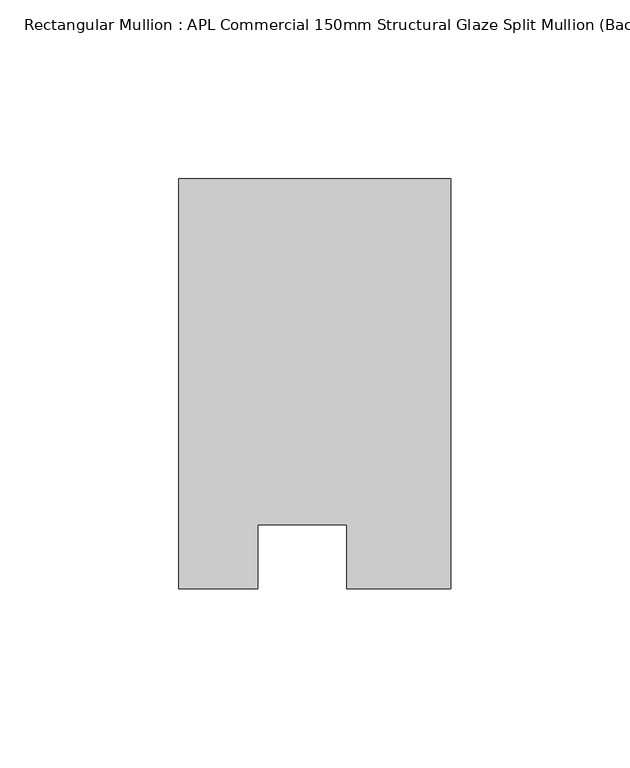
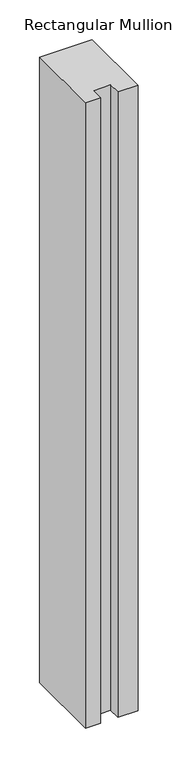
"""IFC4 building model written with IfcOpenShell, lengths in millimetres: member geometry, Rectangular Mullion : APL Commercial 150mm Structural Glaze Split Mullion (Back)."""

import ifcopenshell
import ifcopenshell.guid

model = None  # the IFC model being written
_history = None  # IfcOwnerHistory: only IFC2X3 demands one
_inside = {}  # id of a spatial element -> (the spatial element, [elements in it])
_under = {}  # id of a project, library or spatial element -> (it, [spatial elements below it])
_declared = {}  # id of a project -> (the project, [libraries it declares])
_typed = {}  # id of a type object -> (the type object, [elements of that type])
_made_of = {}  # id of a material, layer set ... -> (it, [elements and type objects made of it])


def new_model(schema):
    """Start an empty IFC model of exactly this schema.

    Asked for "IFC4X3", IfcOpenShell would pick the latest addendum, in which some entities
    have other attributes; the version numbers below select the first issue.
    IFC2X3 requires an IfcOwnerHistory on every rooted entity: one is made here for all.
    """
    global model, _history
    if schema == "IFC4X3":
        model = ifcopenshell.file(schema_version=(4, 3, 0, 0))
    else:
        model = ifcopenshell.file(schema=schema)
    _inside.clear()
    _under.clear()
    _declared.clear()
    _typed.clear()
    _made_of.clear()
    _history = None
    if model.schema == "IFC2X3":
        org = make("IfcOrganization", Name="unknown")
        user = make(
            "IfcPersonAndOrganization",
            ThePerson=make("IfcPerson", FamilyName="unknown"),
            TheOrganization=org,
        )
        app = make(
            "IfcApplication",
            ApplicationDeveloper=org,
            Version="unknown",
            ApplicationFullName="unknown",
            ApplicationIdentifier="unknown",
        )
        _history = make(
            "IfcOwnerHistory",
            OwningUser=user,
            OwningApplication=app,
            ChangeAction="ADDED",
            CreationDate=0,
        )
    return model


def make(cls, **values):
    """One entity of the class cls with the attributes given. An attribute that is None is left unset."""
    return model.create_entity(
        cls, **{name: value for name, value in values.items() if value is not None}
    )


def rooted(cls, **values):
    """An entity with a GlobalId (a new one), such as an element, a storey or a relation."""
    return make(cls, GlobalId=ifcopenshell.guid.new(), OwnerHistory=_history, **values)


def si_unit(unit_type, name, prefix=None):
    """IfcSIUnit, for example si_unit("LENGTHUNIT", "METRE", prefix="MILLI")."""
    return make("IfcSIUnit", UnitType=unit_type, Prefix=prefix, Name=name)


def assignment(units):
    """IfcUnitAssignment: the units of a project."""
    return None if units is None else make("IfcUnitAssignment", Units=units)


def point(xyz):
    """IfcCartesianPoint."""
    return None if xyz is None else make("IfcCartesianPoint", Coordinates=xyz)


def direction(xyz):
    """IfcDirection."""
    return None if xyz is None else make("IfcDirection", DirectionRatios=xyz)


def frame(location, z_axis=None, x_axis=None):
    """IfcAxis2Placement3D, a coordinate frame: its origin and axes. An axis left out is left unset."""
    return make(
        "IfcAxis2Placement3D",
        Location=point(location),
        Axis=direction(z_axis),
        RefDirection=direction(x_axis),
    )


def origin():
    """The frame at (0, 0, 0) with its axes left unset."""
    return frame((0.0, 0.0, 0.0))


def place(relative_to, where):
    """IfcLocalPlacement: puts the frame where relative to a parent placement (None: the world)."""
    return make(
        "IfcLocalPlacement", PlacementRelTo=relative_to, RelativePlacement=where
    )


def context(
    kind, dimensions, precision=None, world=None, true_north=None, identifier=None
):
    """IfcGeometricRepresentationContext, for example the 3D "Model" context."""
    return make(
        "IfcGeometricRepresentationContext",
        ContextIdentifier=identifier,
        ContextType=kind,
        CoordinateSpaceDimension=dimensions,
        Precision=precision,
        WorldCoordinateSystem=world,
        TrueNorth=true_north,
    )


def project(units=None, contexts=None):
    """IfcProject with its units and contexts."""
    return rooted(
        "IfcProject",
        Name="project",
        RepresentationContexts=contexts,
        UnitsInContext=assignment(units),
    )


def spatial(cls, under=None, at=None, **own):
    """A site, building, storey or space (cls), placed at a placement, below another one or the project."""
    s = rooted(cls, ObjectPlacement=at, **own)
    if under is not None:
        _under.setdefault(under.id(), (under, []))[1].append(s)
    return s


def polyline(points):
    """IfcPolyline through the points."""
    return make("IfcPolyline", Points=[point(p) for p in points])


def outline(outer, holes=None, kind="AREA"):
    """IfcArbitraryClosedProfileDef: a profile drawn as a closed curve; with holes, ...WithVoids."""
    if holes is None:
        return make("IfcArbitraryClosedProfileDef", ProfileType=kind, OuterCurve=outer)
    return make(
        "IfcArbitraryProfileDefWithVoids",
        ProfileType=kind,
        OuterCurve=outer,
        InnerCurves=holes,
    )


def extrude(swept, where, along, depth):
    """IfcExtrudedAreaSolid: the profile swept, set in the frame where, extruded along a direction by depth."""
    return make(
        "IfcExtrudedAreaSolid",
        SweptArea=swept,
        Position=where,
        ExtrudedDirection=direction(along),
        Depth=depth,
    )


def shape(context_of_items, identifier, shape_type, items):
    """IfcShapeRepresentation: the items that make up one representation, for example the "Body"."""
    return make(
        "IfcShapeRepresentation",
        ContextOfItems=context_of_items,
        RepresentationIdentifier=identifier,
        RepresentationType=shape_type,
        Items=items,
    )


def source(mapping_origin, context_of_items, identifier, shape_type, items):
    """IfcRepresentationMap: a shape defined once, which mapped items show again and again."""
    return make(
        "IfcRepresentationMap",
        MappingOrigin=mapping_origin,
        MappedRepresentation=shape(context_of_items, identifier, shape_type, items),
    )


def transform(
    local_origin,
    x_axis=None,
    y_axis=None,
    z_axis=None,
    scale=None,
    scale2=None,
    scale3=None,
    uniform=True,
):
    """IfcCartesianTransformationOperator3D, or its non-uniform kind. x_axis, y_axis, z_axis: its Axis1, 2, 3."""
    if uniform:
        return make(
            "IfcCartesianTransformationOperator3D",
            Axis1=direction(x_axis),
            Axis2=direction(y_axis),
            LocalOrigin=point(local_origin),
            Scale=scale,
            Axis3=direction(z_axis),
        )
    return make(
        "IfcCartesianTransformationOperator3DnonUniform",
        Axis1=direction(x_axis),
        Axis2=direction(y_axis),
        LocalOrigin=point(local_origin),
        Scale=scale,
        Axis3=direction(z_axis),
        Scale2=scale2,
        Scale3=scale3,
    )


def mapped(mapping_source, mapping_target):
    """IfcMappedItem: shows the shape of a source again, moved by a transform."""
    return make(
        "IfcMappedItem", MappingSource=mapping_source, MappingTarget=mapping_target
    )


def made_of(thing, what):
    """Note that an element or type object is made of a material, layer set ...; save() writes the relation."""
    if what is not None:
        _made_of.setdefault(what.id(), (what, []))[1].append(thing)
    return thing


def element(
    cls,
    number,
    at=None,
    inside=None,
    cuts=None,
    type_object=None,
    material=None,
    context=None,
    identifier="Body",
    shape_type=None,
    held_by="IfcProductDefinitionShape",
    body=None,
    shapes=None,
    **own,
):
    """One element of the class cls, such as IfcWall. Its Tag is "e" and its number.

    at: its placement. inside: the storey or other place that contains it. cuts: it is an
    opening in that element (IfcRelVoidsElement). A single representation is given by context,
    identifier, shape_type and body (its items); several are given by shapes. held_by: the class
    of the entity that holds the representations. save() writes the other relations.
    """
    e = rooted(cls, Tag="e%d" % number, ObjectPlacement=at, **own)
    if body is not None:
        shapes = [shape(context, identifier, shape_type, body)]
    if shapes is not None:
        e.Representation = make(held_by, Representations=shapes)
    if inside is not None:
        _inside.setdefault(inside.id(), (inside, []))[1].append(e)
    if cuts is not None:
        rooted(
            "IfcRelVoidsElement", RelatingBuildingElement=cuts, RelatedOpeningElement=e
        )
    if type_object is not None:
        _typed.setdefault(type_object.id(), (type_object, []))[1].append(e)
    return made_of(e, material)


def aggregate(whole, parts):
    """IfcRelAggregates: a whole, such as a stair, and the parts it consists of."""
    return rooted("IfcRelAggregates", RelatingObject=whole, RelatedObjects=parts)


def save(model, path):
    """Write the relations noted so far, then the file.

    IfcRelAggregates (storeys below a building ...), IfcRelContainedInSpatialStructure (elements
    in a storey), IfcRelDefinesByType, IfcRelAssociatesMaterial and IfcRelDeclares: one each for
    every whole, place, type object, material and project.
    """
    for whole, parts in _under.values():
        aggregate(whole, parts)
    for where, things in _inside.values():
        rooted(
            "IfcRelContainedInSpatialStructure",
            RelatedElements=things,
            RelatingStructure=where,
        )
    for kind, things in _typed.values():
        rooted("IfcRelDefinesByType", RelatedObjects=things, RelatingType=kind)
    for what, things in _made_of.values():
        rooted("IfcRelAssociatesMaterial", RelatedObjects=things, RelatingMaterial=what)
    for by, libraries in _declared.values():
        rooted("IfcRelDeclares", RelatingContext=by, RelatedDefinitions=libraries)
    model.write(path)


def rectangular_mullion_apl_commercial_150mm_structural_glaze_13d42fb7(model_context):
    return source(origin(), model_context, "Body", "SweptSolid", [
        extrude(outline(polyline([(37.9999914, 129.5195626), (37.9999914, 14.9960123), (9.0, 14.9960123), (9.0, 32.7960123), (-16.0, 32.7960123), (-16.0, 14.9960123), (-37.9999896, 14.9960123), (-37.9999896, 129.5195626), (37.9999914, 129.5195626)])), frame((0.0, 0.0, -956.846945), z_axis=(0.0, 0.0, 1.0), x_axis=(1.0, 0.0, 0.0)), (0.0, 0.0, 1.0), 956.846945),
    ])


if __name__ == "__main__":
    model = new_model("IFC4")
    model_context = context("Model", 3, world=origin())
    ifc_project = project(units=[si_unit("LENGTHUNIT", "METRE", prefix="MILLI")], contexts=[model_context])
    site = spatial("IfcSite", under=ifc_project)
    building = spatial("IfcBuilding", under=site)
    placement = place(None, origin())
    rectangular_mullion_apl_commercial_150mm_structural_glaze_shape = rectangular_mullion_apl_commercial_150mm_structural_glaze_13d42fb7(model_context)
    element("IfcMember", 1, ObjectType="Rectangular Mullion : APL Commercial 150mm Structural Glaze Split Mullion (Back)", at=placement, inside=building, context=model_context, shape_type="MappedRepresentation", body=[
        mapped(rectangular_mullion_apl_commercial_150mm_structural_glaze_shape, transform((0.0, 0.0, 0.0), x_axis=(1.0, 0.0, 0.0), y_axis=(0.0, 1.0, 0.0), z_axis=(0.0, 0.0, 1.0))),
    ])
    save(model, "model.ifc")
